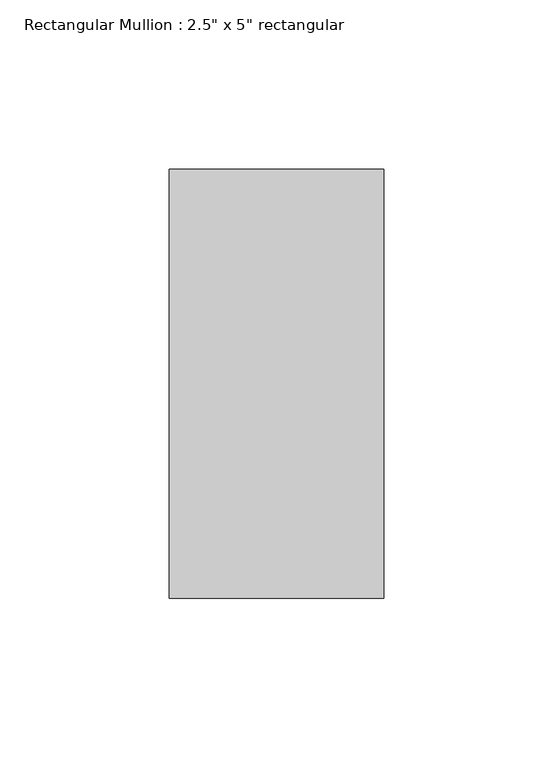
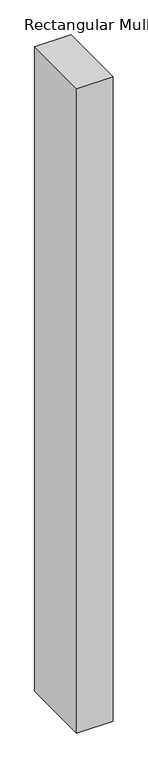
"""IFC4 building model written with IfcOpenShell, lengths in millimetres: member geometry."""

from ifc_helpers import new_model, si_unit, frame, origin, place, context, project, spatial, polyline, outline, extrude, source, transform, mapped, element, save


def member_acdbf6c9(model_context):
    return source(origin(), model_context, "Body", "SweptSolid", [
        extrude(outline(polyline([(0.0, 63.5), (0.0, -63.5), (-63.5, -63.5), (-63.5, 63.5), (0.0, 63.5)])), frame((0.0, 0.0, -1189.1958333), z_axis=(0.0, 0.0, 1.0), x_axis=(1.0, 0.0, 0.0)), (0.0, 0.0, 1.0), 1189.1958333),
    ])


if __name__ == "__main__":
    model = new_model("IFC4")
    model_context = context("Model", 3, world=origin())
    ifc_project = project(units=[si_unit("LENGTHUNIT", "METRE", prefix="MILLI")], contexts=[model_context])
    site = spatial("IfcSite", under=ifc_project)
    building = spatial("IfcBuilding", under=site)
    placement = place(None, origin())
    member_shape = member_acdbf6c9(model_context)
    element("IfcMember", 1, ObjectType="Rectangular Mullion : 2.5\" x 5\" rectangular", at=placement, inside=building, context=model_context, shape_type="MappedRepresentation", body=[
        mapped(member_shape, transform((0.0, 0.0, 0.0), x_axis=(1.0, 0.0, 0.0), y_axis=(0.0, 1.0, 0.0), z_axis=(0.0, 0.0, 1.0))),
    ])
    save(model, "model.ifc")
